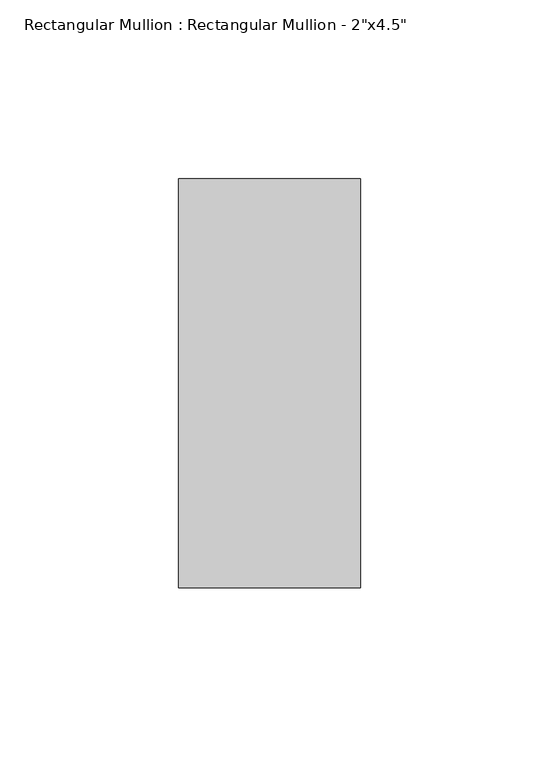
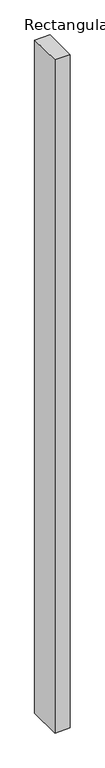
"""IFC4 building model written with IfcOpenShell, lengths in millimetres: member geometry."""

from ifc_helpers import new_model, si_unit, frame, origin, place, context, project, spatial, polyline, outline, extrude, source, transform, mapped, element, save


def member_261f8ef3(model_context):
    return source(origin(), model_context, "Body", "SweptSolid", [
        extrude(outline(polyline([(25.4, 57.15), (25.4, -57.15), (-25.4, -57.15), (-25.4, 57.15), (25.4, 57.15)])), frame((0.0, 0.0, -2336.8), z_axis=(0.0, 0.0, 1.0), x_axis=(1.0, 0.0, 0.0)), (0.0, 0.0, 1.0), 2336.8),
    ])


if __name__ == "__main__":
    model = new_model("IFC4")
    model_context = context("Model", 3, world=origin())
    ifc_project = project(units=[si_unit("LENGTHUNIT", "METRE", prefix="MILLI")], contexts=[model_context])
    site = spatial("IfcSite", under=ifc_project)
    building = spatial("IfcBuilding", under=site)
    placement = place(None, origin())
    member_shape = member_261f8ef3(model_context)
    element("IfcMember", 1, ObjectType="Rectangular Mullion : Rectangular Mullion - 2\"x4.5\"", at=placement, inside=building, context=model_context, shape_type="MappedRepresentation", body=[
        mapped(member_shape, transform((0.0, 0.0, 0.0), x_axis=(1.0, 0.0, 0.0), y_axis=(0.0, 1.0, 0.0), z_axis=(0.0, 0.0, 1.0))),
    ])
    save(model, "model.ifc")
